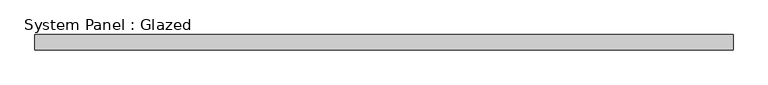
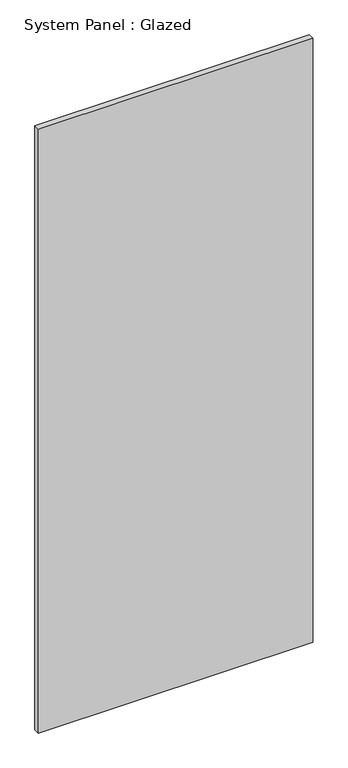
"""IFC4 building model written with IfcOpenShell, lengths in millimetres: plate geometry, System Panel : Glazed."""

from ifc_helpers import new_model, si_unit, origin, origin_with_axes, place, context, project, spatial, polyline, outline, extrude, source, transform, mapped, element, save


def system_panel_glazed_5f19acff(model_context):
    return source(origin(), model_context, "Body", "SweptSolid", [
        extrude(outline(polyline([(577.8520239, 24.5), (-577.8520239, 24.5), (-577.8520239, 49.5), (577.8520239, 49.5), (577.8520239, 24.5)])), origin_with_axes(), (0.0, 0.0, 1.0), 2690.0),
    ])


if __name__ == "__main__":
    model = new_model("IFC4")
    model_context = context("Model", 3, world=origin())
    ifc_project = project(units=[si_unit("LENGTHUNIT", "METRE", prefix="MILLI")], contexts=[model_context])
    site = spatial("IfcSite", under=ifc_project)
    building = spatial("IfcBuilding", under=site)
    placement = place(None, origin())
    system_panel_glazed_shape = system_panel_glazed_5f19acff(model_context)
    element("IfcPlate", 1, ObjectType="System Panel : Glazed", at=placement, inside=building, context=model_context, shape_type="MappedRepresentation", body=[
        mapped(system_panel_glazed_shape, transform((0.0, 0.0, 0.0), x_axis=(1.0, 0.0, 0.0), y_axis=(0.0, 1.0, 0.0), z_axis=(0.0, 0.0, 1.0))),
    ])
    save(model, "model.ifc")
